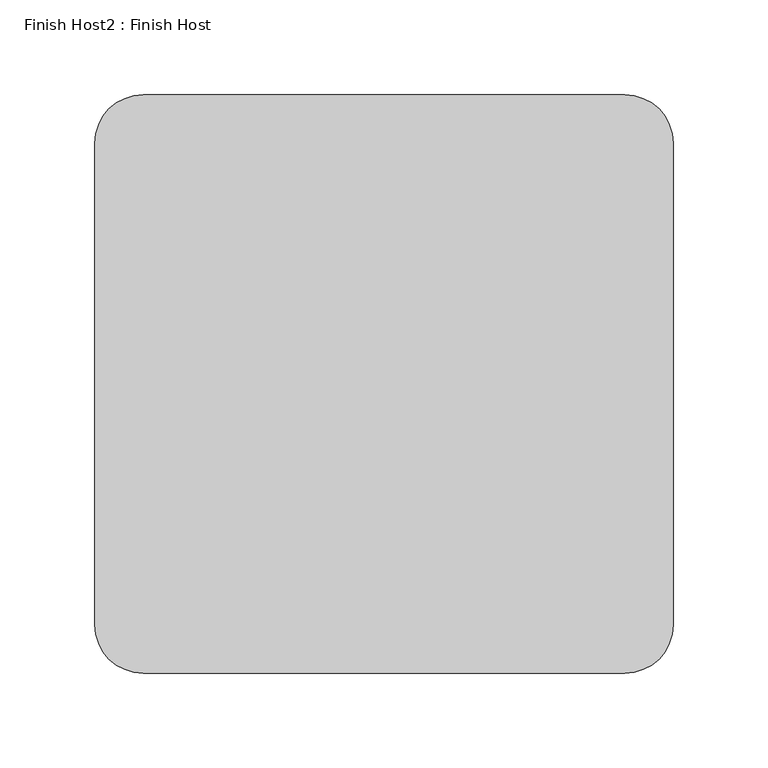
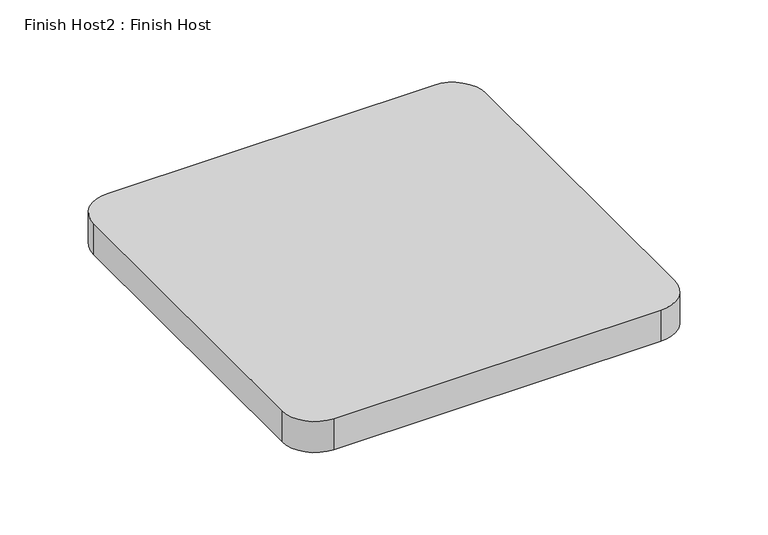
"""IFC4 building model written with IfcOpenShell, lengths in millimetres: proxy geometry, Finish Host2 : Finish Host."""

from ifc_helpers import new_model, si_unit, point, frame_2d, origin, origin_with_axes, place, context, project, spatial, polyline, circle_curve, trimmed, segment, composite_curve, outline, extrude, source, transform, mapped, element, save


def finish_host2_finish_host_1fd41e81(model_context):
    return source(origin(), model_context, "Body", "SweptSolid", [
        extrude(outline(composite_curve([segment(polyline([(1191.0934426, 1206.8122951), (1191.0934426, 1460.8122951)]), True, "CONTINUOUS"), segment(trimmed(circle_curve(frame_2d((1216.4934426, 1460.8122951)), 25.4), [point((1191.0934426, 1460.8122951))], [point((1216.4934426, 1486.2122951))], False, "CARTESIAN"), True, "CONTINUOUS"), segment(polyline([(1216.4934426, 1486.2122951), (1470.4934426, 1486.2122951)]), True, "CONTINUOUS"), segment(trimmed(circle_curve(frame_2d((1470.4934426, 1460.8122951)), 25.4), [point((1470.4934426, 1486.2122951))], [point((1495.8934426, 1460.8122951))], False, "CARTESIAN"), True, "CONTINUOUS"), segment(polyline([(1495.8934426, 1460.8122951), (1495.8934426, 1206.8122951)]), True, "CONTINUOUS"), segment(trimmed(circle_curve(frame_2d((1470.4934426, 1206.8122951)), 25.4), [point((1495.8934426, 1206.8122951))], [point((1470.4934426, 1181.4122951))], False, "CARTESIAN"), True, "CONTINUOUS"), segment(polyline([(1470.4934426, 1181.4122951), (1216.4934426, 1181.4122951)]), True, "CONTINUOUS"), segment(trimmed(circle_curve(frame_2d((1216.4934426, 1206.8122951)), 25.4), [point((1216.4934426, 1181.4122951))], [point((1191.0934426, 1206.8122951))], False, "CARTESIAN"), True, "CONTINUOUS")], self_intersect=False)), origin_with_axes(), (0.0, 0.0, 1.0), 25.4),
    ])


if __name__ == "__main__":
    model = new_model("IFC4")
    model_context = context("Model", 3, world=origin())
    ifc_project = project(units=[si_unit("LENGTHUNIT", "METRE", prefix="MILLI")], contexts=[model_context])
    site = spatial("IfcSite", under=ifc_project)
    building = spatial("IfcBuilding", under=site)
    placement = place(None, origin())
    finish_host2_finish_host_shape = finish_host2_finish_host_1fd41e81(model_context)
    element("IfcBuildingElementProxy", 1, Name="Finish Host2 : Finish Host", ObjectType="Finish Host2 : Finish Host", at=placement, inside=building, context=model_context, shape_type="MappedRepresentation", body=[
        mapped(finish_host2_finish_host_shape, transform((0.0, 0.0, 0.0), x_axis=(1.0, 0.0, 0.0), y_axis=(0.0, 1.0, 0.0), z_axis=(0.0, 0.0, 1.0))),
    ])
    save(model, "model.ifc")
